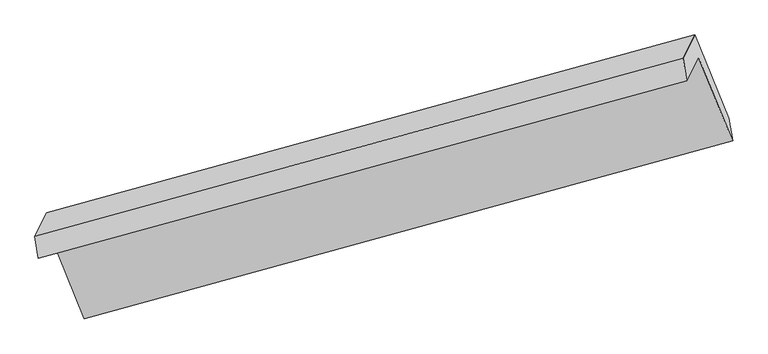
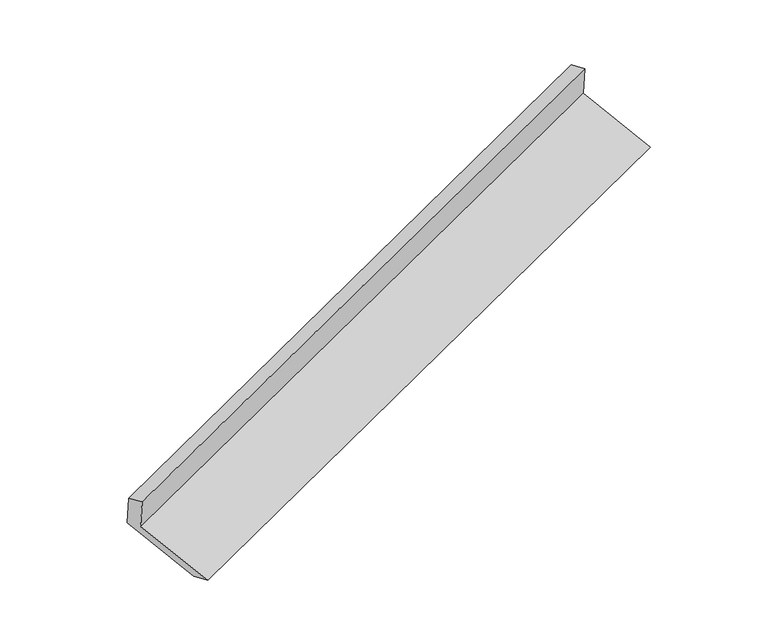
"""IFC4 building model written with IfcOpenShell, lengths in millimetres: proxy geometry."""

from ifc_helpers import new_model, si_unit, origin, place, context, project, spatial, faceted_brep, source, transform, mapped, element, save


def generic_models_e746c62f(model_context):
    return source(origin(), model_context, "Body", "Brep", [
        faceted_brep([(-5225.5754006, -2112.7780473, 1460.9037096), (-5143.9169743, -1948.9115573, 1108.8361845), (-657.1326956, -720.8026879, 2704.2040745), (-738.7911219, -884.669178, 3056.2715996), (-5249.1107339, -1958.5121411, 1408.5380014), (-762.3264552, -730.4032717, 3003.9058913), (-5168.1510353, -1796.0478096, 1059.4830171), (-681.3667566, -567.9389403, 2654.850907), (-4932.7935849, -2372.7595819, 845.646723), (-446.0093062, -1144.6507125, 2441.014613), (-4906.9206882, -2529.639076, 893.5109104), (-420.1364095, -1301.5302067, 2488.8788003)], [[[0, 1, 2, 3]], [[4, 0, 3, 5]], [[6, 4, 5, 7]], [[8, 6, 7, 9]], [[10, 8, 9, 11]], [[1, 10, 11, 2]], [[9, 7, 5, 3, 2, 11]], [[1, 0, 4, 6, 8, 10]]]),
    ])


if __name__ == "__main__":
    model = new_model("IFC4")
    model_context = context("Model", 3, world=origin())
    ifc_project = project(units=[si_unit("LENGTHUNIT", "METRE", prefix="MILLI")], contexts=[model_context])
    site = spatial("IfcSite", under=ifc_project)
    building = spatial("IfcBuilding", under=site)
    placement = place(None, origin())
    generic_models_shape = generic_models_e746c62f(model_context)
    element("IfcBuildingElementProxy", 1, Name="Generic Models", at=placement, inside=building, context=model_context, shape_type="MappedRepresentation", body=[
        mapped(generic_models_shape, transform((0.0, 0.0, 0.0), x_axis=(1.0, 0.0, 0.0), y_axis=(0.0, 1.0, 0.0), z_axis=(0.0, 0.0, 1.0))),
    ])
    save(model, "model.ifc")
